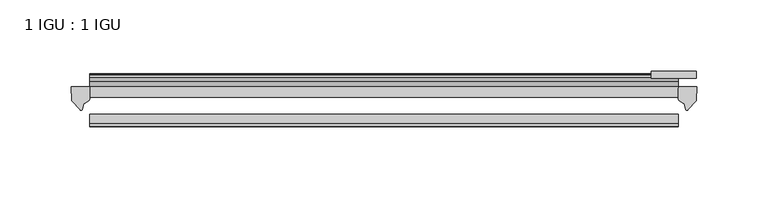
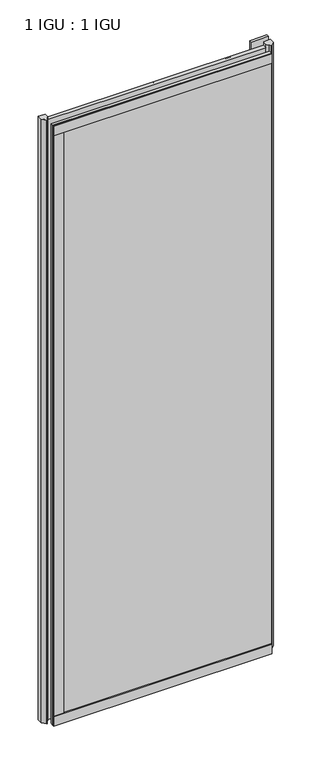
"""IFC4 building model written with IfcOpenShell, lengths in millimetres: plate geometry, 1 IGU : 1 IGU."""

from ifc_helpers import new_model, si_unit, point, frame, frame_2d, origin, place, context, project, spatial, polyline, circle_curve, trimmed, segment, composite_curve, outline, extrude, source, transform, mapped, element, save


def plate_1_igu_1_igu_d877fc67(model_context):
    return source(origin(), model_context, "Body", "SweptSolid", [
        extrude(outline(polyline([(105.7683781, -11.6085937), (105.7683781, -18.8576359), (-307.9761906, -18.8576359), (-307.9761906, -11.6085937), (105.7683781, -11.6085937)])), frame((0.0, 0.0, -19.05), z_axis=(0.0, 0.0, 1.0), x_axis=(1.0, 0.0, 0.0)), (0.0, 0.0, 1.0), 1200.15),
        extrude(outline(polyline([(-307.9761906, -30.7093937), (105.7683781, -30.7093937), (105.7683781, -37.0085937), (-307.9761906, -37.0085937), (-307.9761906, -30.7093937)])), frame((0.0, 0.0, -19.05), z_axis=(0.0, 0.0, 1.0), x_axis=(1.0, 0.0, 0.0)), (0.0, 0.0, 1.0), 1200.15),
        extrude(outline(polyline([(118.4683781, -0.4960937), (118.4683781, -5.3578125), (86.7183781, -5.3578125), (86.7183781, -0.4960937), (118.4683781, -0.4960937)])), frame((0.0, 0.0, -28.575), z_axis=(0.0, 0.0, 1.0), x_axis=(1.0, 0.0, 0.0)), (0.0, 0.0, 1.0), 28.575),
        extrude(outline(polyline([(86.7183781, -5.3578125), (86.7183781, -0.4960937), (118.4683781, -0.4960937), (118.4683781, -5.3578125), (86.7183781, -5.3578125)])), frame((0.0, 0.0, 1162.05), z_axis=(0.0, 0.0, 1.0), x_axis=(1.0, 0.0, 0.0)), (0.0, 0.0, 1.0), 28.575),
        extrude(outline(composite_curve([segment(polyline([(118.8462873, -11.6101465), (118.4683781, -21.3502133), (112.5303249, -27.6095865)]), True, "CONTINUOUS"), segment(trimmed(circle_curve(frame_2d((111.8575188, -27.2518492)), 0.762), [point((112.5303249, -27.6095865))], [point((111.1288146, -27.4746364))], False, "CARTESIAN"), True, "CONTINUOUS"), segment(polyline([(111.1288146, -27.4746364), (109.86698, -23.3488397)]), True, "CONTINUOUS"), segment(trimmed(circle_curve(frame_2d((112.0489372, -16.3834724)), 7.2991286), [point((109.86698, -23.3488397))], [point((105.7685567, -20.1028944))], False, "CARTESIAN"), True, "CONTINUOUS"), segment(polyline([(105.7685567, -20.1028944), (105.7685567, -12.664425)]), True, "CONTINUOUS"), segment(trimmed(circle_curve(frame_2d((112.0498112, -16.3827796)), 7.2993369), [point((105.7685567, -12.664425))], [point((106.5269231, -11.6101465))], False, "CARTESIAN"), True, "CONTINUOUS"), segment(polyline([(106.5269231, -11.6101465), (118.8462873, -11.6101465)]), True, "CONTINUOUS")], self_intersect=False)), frame((0.0, 0.0, -19.05), z_axis=(0.0, 0.0, 1.0), x_axis=(1.0, 0.0, 0.0)), (0.0, 0.0, 1.0), 1207.2874),
        extrude(outline(composite_curve([segment(polyline([(-307.9761906, -11.610702), (-307.9761906, -20.1014769)]), True, "CONTINUOUS"), segment(trimmed(circle_curve(frame_2d((-314.257385, -16.3829847)), 7.2993552), [point((-307.9761906, -20.1014769))], [point((-312.0751404, -23.3484994))], False, "CARTESIAN"), True, "CONTINUOUS"), segment(polyline([(-312.0751404, -23.3484994), (-313.3366271, -27.4746364)]), True, "CONTINUOUS"), segment(trimmed(circle_curve(frame_2d((-314.0653313, -27.2518492)), 0.762), [point((-313.3366271, -27.4746364))], [point((-314.7381374, -27.6095865))], False, "CARTESIAN"), True, "CONTINUOUS"), segment(polyline([(-314.7381374, -27.6095865), (-320.6761906, -21.3502133), (-321.0540998, -11.610702), (-307.9761906, -11.610702)]), True, "CONTINUOUS")], self_intersect=False)), frame((0.0, 0.0, -19.05), z_axis=(0.0, 0.0, 1.0), x_axis=(1.0, 0.0, 0.0)), (0.0, 0.0, 1.0), 1207.2874),
        extrude(outline(polyline([(-307.9761906, -39.2945937), (-307.9761906, -37.0085937), (105.7683781, -37.0085937), (105.7683781, -39.2945937), (-307.9761906, -39.2945937)])), frame((0.0, 0.0, -19.05), z_axis=(0.0, 0.0, 1.0), x_axis=(1.0, 0.0, 0.0)), (0.0, 0.0, 1.0), 19.05),
        extrude(outline(composite_curve([segment(trimmed(circle_curve(frame_2d((-2.5575611, 32.8538976)), 31.3272753), [point((-11.6085937, 2.8626158))], [point((-2.2024699, 1.5286348))], True, "CARTESIAN"), True, "CONTINUOUS"), segment(polyline([(-2.2024699, 1.5286348), (-2.2024699, 0.0), (-5.2585937, 0.0), (-5.2585937, -5.2345509), (-3.3544944, -5.5797863), (-5.2585937, -8.255), (-5.2585937, -11.471876)]), True, "CONTINUOUS"), segment(trimmed(circle_curve(frame_2d((-6.5285937, -11.471876)), 1.27), [point((-5.2585937, -11.471876))], [point((-7.4547667, -12.340843))], False, "CARTESIAN"), True, "CONTINUOUS"), segment(polyline([(-7.4547667, -12.340843), (-11.6085937, -7.9135609), (-11.6085937, 2.8626158)]), True, "CONTINUOUS")], self_intersect=False)), frame((-307.9761906, 0.0, 0.0), z_axis=(1.0, 0.0, 0.0), x_axis=(0.0, 1.0, 0.0)), (0.0, 0.0, 1.0), 413.7445688),
        extrude(outline(composite_curve([segment(trimmed(circle_curve(frame_2d((-6.5285937, 1173.521876)), 1.27), [point((-7.4547667, 1174.390843))], [point((-5.2585937, 1173.521876))], False, "CARTESIAN"), True, "CONTINUOUS"), segment(polyline([(-5.2585937, 1173.521876), (-5.2585937, 1170.305), (-3.3544944, 1167.6297863), (-5.2585937, 1167.2845509), (-5.2585937, 1162.05), (-2.385052, 1162.05)]), True, "CONTINUOUS"), segment(trimmed(circle_curve(frame_2d((-3.2589487, 1161.5317718)), 1.016), [point((-2.385052, 1162.05))], [point((-3.236916, 1160.5160107))], False, "CARTESIAN"), True, "CONTINUOUS"), segment(trimmed(circle_curve(frame_2d((-2.5575611, 1129.1961024)), 31.3272753), [point((-3.236916, 1160.5160107))], [point((-11.6085937, 1159.1873842))], True, "CARTESIAN"), True, "CONTINUOUS"), segment(polyline([(-11.6085937, 1159.1873842), (-11.6085937, 1169.9635609), (-7.4547667, 1174.390843)]), True, "CONTINUOUS")], self_intersect=False)), frame((-307.9761906, 0.0, 0.0), z_axis=(1.0, 0.0, 0.0), x_axis=(0.0, 1.0, 0.0)), (0.0, 0.0, 1.0), 413.7445688),
        extrude(outline(polyline([(-307.9761906, -39.2945937), (-307.9761906, -37.0085937), (105.7683781, -37.0085937), (105.7683781, -39.2945937), (-307.9761906, -39.2945937)])), frame((0.0, 0.0, 1162.05), z_axis=(0.0, 0.0, 1.0), x_axis=(1.0, 0.0, 0.0)), (0.0, 0.0, 1.0), 19.05),
        extrude(outline(polyline([(-307.9761906, -39.2945937), (-307.9761906, -37.0085937), (-288.9261906, -37.0085937), (-288.9261906, -39.2945937), (-307.9761906, -39.2945937)])), frame((0.0, 0.0, -19.05), z_axis=(0.0, 0.0, 1.0), x_axis=(1.0, 0.0, 0.0)), (0.0, 0.0, 1.0), 1200.15),
    ])


if __name__ == "__main__":
    model = new_model("IFC4")
    model_context = context("Model", 3, world=origin())
    ifc_project = project(units=[si_unit("LENGTHUNIT", "METRE", prefix="MILLI")], contexts=[model_context])
    site = spatial("IfcSite", under=ifc_project)
    building = spatial("IfcBuilding", under=site)
    placement = place(None, origin())
    plate_1_igu_1_igu_shape = plate_1_igu_1_igu_d877fc67(model_context)
    element("IfcPlate", 1, ObjectType="1 IGU : 1 IGU", at=placement, inside=building, context=model_context, shape_type="MappedRepresentation", body=[
        mapped(plate_1_igu_1_igu_shape, transform((0.0, 0.0, 0.0), x_axis=(1.0, 0.0, 0.0), y_axis=(0.0, 1.0, 0.0), z_axis=(0.0, 0.0, 1.0))),
    ])
    save(model, "model.ifc")
